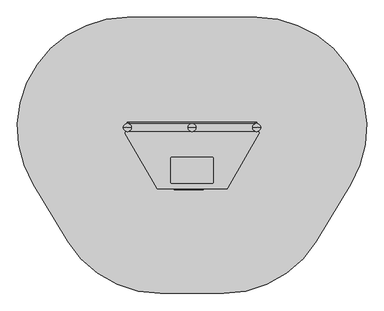
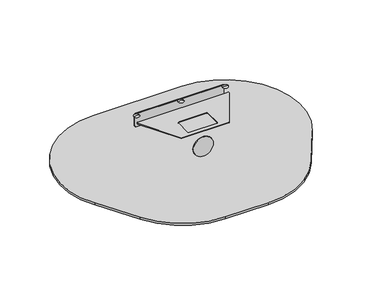
"""IFC4 building model written with IfcOpenShell, lengths in millimetres: furniture geometry."""

from ifc_helpers import new_model, si_unit, point, frame, frame_2d, origin, origin_2d, place, context, project, spatial, polyline, circle_curve, ellipse_curve, trimmed, segment, composite_curve, outline, extrude, source, transform, mapped, element, save
from ifc_brep_helpers import plane_surface, cylinder_surface, revolved_surface, extruded_surface, advanced_brep


def furniture_3e7344ea(model_context):
    return source(origin(), model_context, "Body", "SolidModel", [
        advanced_brep(
        [(1815.0, 0.0, 912.0), (1705.0, 0.0, 912.0), (1760.0, 0.0, 924.0246565), (1760.0, 0.0, 912.0)],
        [
            (0, 1, circle_curve(frame((1760.0, 0.0, 912.0), z_axis=(0.0, 0.0, 1.0), x_axis=(-1.0, 0.0, 0.0)), 55.0)),
            (1, 2, circle_curve(frame((1755.4549856, 0.0, 813.0177111), z_axis=(0.0, 1.0, 0.0), x_axis=(-1.0, 0.0, 0.0)), 111.0999509)),
            (2, 0, circle_curve(frame((1764.5450144, 0.0, 813.0177111), z_axis=(0.0, 1.0, 0.0), x_axis=(1.0, 0.0, 0.0)), 111.0999509)),
            (1, 0, circle_curve(frame((1760.0, 0.0, 912.0), z_axis=(0.0, 0.0, 1.0), x_axis=(-1.0, 0.0, 0.0)), 55.0)),
            (3, 1),
            (0, 3),
        ],
        [
            revolved_surface(trimmed(ellipse_curve(frame((1755.4549856, 0.0, 813.0177111), z_axis=(0.0, -1.0, 0.0), x_axis=(-1.0, 0.0, 0.0)), 111.0999509, 111.0999509), [point((1760.0, 0.0, 924.0246565))], [point((1705.0, 0.0, 912.0))], True, "CARTESIAN"), (1760.0, 0.0, 531.0), (0.0, 0.0, -1.0)),
            plane_surface(frame((1760.0, 0.0, 912.0), z_axis=(0.0, 0.0, -1.0), x_axis=(-1.0, 0.0, 0.0))),
        ],
        [
            (0, [[1, 2, 3]]),
            (0, [[4, -3, -2]]),
            (1, [[5, -1, 6]]),
            (1, [[-6, -4, -5]]),
        ],
    ),
        advanced_brep(
        [(935.0, 0.0, 912.0), (825.0, 0.0, 912.0), (880.0, 0.0, 924.0246565), (880.0, 0.0, 912.0)],
        [
            (0, 1, circle_curve(frame((880.0, 0.0, 912.0), z_axis=(0.0, 0.0, 1.0), x_axis=(-1.0, 0.0, 0.0)), 55.0)),
            (1, 2, circle_curve(frame((875.4549856, 0.0, 813.0177111), z_axis=(0.0, 1.0, 0.0), x_axis=(-1.0, 0.0, 0.0)), 111.0999509)),
            (2, 0, circle_curve(frame((884.5450144, 0.0, 813.0177111), z_axis=(0.0, 1.0, 0.0), x_axis=(1.0, 0.0, 0.0)), 111.0999509)),
            (1, 0, circle_curve(frame((880.0, 0.0, 912.0), z_axis=(0.0, 0.0, 1.0), x_axis=(-1.0, 0.0, 0.0)), 55.0)),
            (3, 1),
            (0, 3),
        ],
        [
            revolved_surface(trimmed(ellipse_curve(frame((875.4549856, 0.0, 813.0177111), z_axis=(0.0, -1.0, 0.0), x_axis=(-1.0, 0.0, 0.0)), 111.0999509, 111.0999509), [point((880.0, 0.0, 924.0246565))], [point((825.0, 0.0, 912.0))], True, "CARTESIAN"), (880.0, 0.0, 531.0), (0.0, 0.0, -1.0)),
            plane_surface(frame((880.0, 0.0, 912.0), z_axis=(0.0, 0.0, -1.0), x_axis=(-1.0, 0.0, 0.0))),
        ],
        [
            (0, [[1, 2, 3]]),
            (0, [[4, -3, -2]]),
            (1, [[5, -1, 6]]),
            (1, [[-6, -4, -5]]),
        ],
    ),
        advanced_brep(
        [(12.5, 72.4599432, -225.0), (0.0, 72.4599432, -225.0), (-12.5, 72.4599432, -225.0), (-72.5, 12.4599432, -225.0), (-72.5, -12.5400568, -225.0), (-12.5, -72.5400568, -225.0), (12.5, -72.5400568, -225.0), (72.5, -12.5400568, -225.0), (72.5, 12.4599432, -225.0), (90.0, 150.0, -460.0), (0.0, 150.0, -460.0), (-90.0, 150.0, -460.0), (-150.0, 90.0, -460.0), (-150.0, -90.0, -460.0), (-90.0, -150.0, -460.0), (90.0, -150.0, -460.0), (150.0, -90.0, -460.0), (150.0, 90.0, -460.0), (90.0, 150.0, -600.0), (150.0, 90.0, -600.0), (150.0, -90.0, -600.0), (90.0, -150.0, -600.0), (-90.0, -150.0, -600.0), (-150.0, -90.0, -600.0), (-150.0, 90.0, -600.0), (-90.0, 150.0, -600.0), (0.0, 150.0, -600.0)],
        [
            (0, 1),
            (1, 2),
            (2, 3, circle_curve(frame((-12.5, 12.4599432, -225.0), z_axis=(0.0, 0.0, 1.0), x_axis=(1.0, 0.0, 0.0)), 60.0)),
            (3, 4),
            (4, 5, circle_curve(frame((-12.5, -12.5400568, -225.0), z_axis=(0.0, 0.0, 1.0), x_axis=(1.0, 0.0, 0.0)), 60.0)),
            (5, 6),
            (6, 7, circle_curve(frame((12.5, -12.5400568, -225.0), z_axis=(0.0, 0.0, 1.0), x_axis=(1.0, 0.0, 0.0)), 60.0)),
            (7, 8),
            (8, 0, circle_curve(frame((12.5, 12.4599432, -225.0), z_axis=(0.0, 0.0, 1.0), x_axis=(1.0, 0.0, 0.0)), 60.0)),
            (0, 9),
            (9, 10),
            (10, 1),
            (10, 11),
            (11, 2),
            (11, 12, circle_curve(frame((-90.0, 90.0, -460.0), z_axis=(0.0, 0.0, 1.0), x_axis=(1.0, 0.0, 0.0)), 60.0)),
            (12, 3),
            (12, 13),
            (13, 4),
            (13, 14, circle_curve(frame((-90.0, -90.0, -460.0), z_axis=(0.0, 0.0, 1.0), x_axis=(1.0, 0.0, 0.0)), 60.0)),
            (14, 5),
            (14, 15),
            (15, 6),
            (15, 16, circle_curve(frame((90.0, -90.0, -460.0), z_axis=(0.0, 0.0, 1.0), x_axis=(1.0, 0.0, 0.0)), 60.0)),
            (16, 7),
            (16, 17),
            (17, 8),
            (17, 9, circle_curve(frame((90.0, 90.0, -460.0), z_axis=(0.0, 0.0, 1.0), x_axis=(1.0, 0.0, 0.0)), 60.0)),
            (18, 19, circle_curve(frame((90.0, 90.0, -600.0), z_axis=(0.0, 0.0, -1.0), x_axis=(1.0, 0.0, 0.0)), 60.0)),
            (19, 20),
            (20, 21, circle_curve(frame((90.0, -90.0, -600.0), z_axis=(0.0, 0.0, -1.0), x_axis=(1.0, 0.0, 0.0)), 60.0)),
            (21, 22),
            (22, 23, circle_curve(frame((-90.0, -90.0, -600.0), z_axis=(0.0, 0.0, -1.0), x_axis=(1.0, 0.0, 0.0)), 60.0)),
            (23, 24),
            (24, 25, circle_curve(frame((-90.0, 90.0, -600.0), z_axis=(0.0, 0.0, -1.0), x_axis=(1.0, 0.0, 0.0)), 60.0)),
            (25, 26),
            (26, 18),
            (26, 10),
            (9, 18),
            (25, 11),
            (23, 13),
            (12, 24),
            (21, 15),
            (14, 22),
            (19, 17),
            (16, 20),
        ],
        [
            plane_surface(frame((0.0, 8.0154988, -225.0), z_axis=(0.0, 0.0, 1.0), x_axis=(-1.0, 0.0, 0.0))),
            plane_surface(frame((6.25, 72.4599432, -225.0), z_axis=(0.0, 0.9496406059136844, 0.3133412191204512), x_axis=(1.0, 0.0, 0.0))),
            plane_surface(frame((-6.25, 72.4599432, -225.0), z_axis=(0.0, 0.9496406059136843, 0.3133412191204512), x_axis=(1.0, 0.0, 0.0))),
            extruded_surface(trimmed(circle_curve(frame((-12.5, 12.4599432, -225.0), z_axis=(0.0, 0.0, -1.0), x_axis=(1.0, 0.0, 0.0)), 60.0), [point((-72.5, 12.4599432, -225.0))], [point((-12.5, 72.4599432, -225.0))], True, "CARTESIAN"), (-77.5, 77.5400568, -235.0), 259.3139225119763),
            plane_surface(frame((-72.5, -0.0400568, -225.0), z_axis=(-0.9496887635303409, 0.0, 0.31319523052596476), x_axis=(0.0, 1.0, 0.0))),
            extruded_surface(trimmed(circle_curve(frame((-12.5, -12.5400568, -225.0), z_axis=(0.0, 0.0, -1.0), x_axis=(1.0, 0.0, 0.0)), 60.0), [point((-12.5, -72.5400568, -225.0))], [point((-72.5, -12.5400568, -225.0))], True, "CARTESIAN"), (-77.5, -77.4599432, -235.0), 259.2899782107809),
            plane_surface(frame((0.0, -72.5400568, -225.0), z_axis=(0.0, -0.9497369035840961, 0.3130492197250991), x_axis=(-1.0, 0.0, 0.0))),
            extruded_surface(trimmed(circle_curve(frame((12.5, -12.5400568, -225.0), z_axis=(0.0, 0.0, -1.0), x_axis=(1.0, 0.0, 0.0)), 60.0), [point((72.5, -12.5400568, -225.0))], [point((12.5, -72.5400568, -225.0))], True, "CARTESIAN"), (77.5, -77.4599432, -235.0), 259.2899782107809),
            plane_surface(frame((72.5, -0.0400568, -225.0), z_axis=(0.9496887635303416, 0.0, 0.3131952305259627), x_axis=(0.0, -1.0, 0.0))),
            extruded_surface(trimmed(circle_curve(frame((12.5, 12.4599432, -225.0), z_axis=(0.0, 0.0, -1.0), x_axis=(1.0, 0.0, 0.0)), 60.0), [point((12.5, 72.4599432, -225.0))], [point((72.5, 12.4599432, -225.0))], True, "CARTESIAN"), (77.5, 77.5400568, -235.0), 259.3139225119763),
            plane_surface(frame((0.0, 150.0, -600.0), z_axis=(0.0, 0.0, -1.0), x_axis=(1.0, 0.0, 0.0))),
            plane_surface(frame((90.0, 150.0, -460.0), z_axis=(0.0, 1.0, 0.0), x_axis=(0.0, 0.0, -1.0))),
            plane_surface(frame((0.0, 150.0, -460.0), z_axis=(0.0, 1.0, 0.0), x_axis=(0.0, 0.0, -1.0))),
            plane_surface(frame((-150.0, 90.0, -460.0), z_axis=(-1.0, 0.0, 0.0), x_axis=(0.0, 0.0, -1.0))),
            plane_surface(frame((-90.0, -150.0, -460.0), z_axis=(0.0, -1.0, 0.0), x_axis=(0.0, 0.0, -1.0))),
            plane_surface(frame((150.0, -90.0, -460.0), z_axis=(1.0, 0.0, 0.0), x_axis=(0.0, 0.0, -1.0))),
            cylinder_surface(frame((-90.0, 90.0, -600.0), z_axis=(0.0, 0.0, 1.0), x_axis=(1.0, 0.0, 0.0)), 60.0),
            cylinder_surface(frame((-90.0, -90.0, -600.0), z_axis=(0.0, 0.0, 1.0), x_axis=(1.0, 0.0, 0.0)), 60.0),
            cylinder_surface(frame((90.0, -90.0, -600.0), z_axis=(0.0, 0.0, 1.0), x_axis=(1.0, 0.0, 0.0)), 60.0),
            cylinder_surface(frame((90.0, 90.0, -600.0), z_axis=(0.0, 0.0, 1.0), x_axis=(1.0, 0.0, 0.0)), 60.0),
        ],
        [
            (0, [[1, 2, 3, 4, 5, 6, 7, 8, 9]]),
            (1, [[-1, 10, 11, 12]]),
            (2, [[-2, -12, 13, 14]]),
            (3, [[-3, -14, 15, 16]]),
            (4, [[-4, -16, 17, 18]]),
            (5, [[-5, -18, 19, 20]]),
            (6, [[-6, -20, 21, 22]]),
            (7, [[-7, -22, 23, 24]]),
            (8, [[-8, -24, 25, 26]]),
            (9, [[-9, -26, 27, -10]]),
            (10, [[28, 29, 30, 31, 32, 33, 34, 35, 36]]),
            (11, [[-36, 37, -11, 38]]),
            (12, [[-35, 39, -13, -37]]),
            (13, [[-33, 40, -17, 41]]),
            (14, [[-31, 42, -21, 43]]),
            (15, [[-29, 44, -25, 45]]),
            (16, [[-34, -41, -15, -39]]),
            (17, [[-32, -43, -19, -40]]),
            (18, [[-30, -45, -23, -42]]),
            (19, [[-28, -38, -27, -44]]),
        ],
    ),
        extrude(outline(composite_curve([segment(trimmed(circle_curve(origin_2d(), 55.0), [point((-55.0, 0.0))], [point((55.0, 0.0))], False, "CARTESIAN"), True, "CONTINUOUS"), segment(trimmed(circle_curve(origin_2d(), 55.0), [point((55.0, 0.0))], [point((-55.0, 0.0))], False, "CARTESIAN"), True, "CONTINUOUS")], self_intersect=False)), frame((0.0, 0.0, -600.0), z_axis=(0.0, 0.0, 1.0), x_axis=(1.0, 0.0, 0.0)), (0.0, 0.0, 1.0), 500.0),
        advanced_brep(
        [(1772.5, 72.4599432, -225.0), (1760.0, 72.4599432, -225.0), (1747.5, 72.4599432, -225.0), (1687.5, 12.4599432, -225.0), (1687.5, -12.5400568, -225.0), (1747.5, -72.5400568, -225.0), (1772.5, -72.5400568, -225.0), (1832.5, -12.5400568, -225.0), (1832.5, 12.4599432, -225.0), (1850.0, 150.0, -460.0), (1760.0, 150.0, -460.0), (1670.0, 150.0, -460.0), (1610.0, 90.0, -460.0), (1610.0, -90.0, -460.0), (1670.0, -150.0, -460.0), (1850.0, -150.0, -460.0), (1910.0, -90.0, -460.0), (1910.0, 90.0, -460.0), (1850.0, 150.0, -600.0), (1910.0, 90.0, -600.0), (1910.0, -90.0, -600.0), (1850.0, -150.0, -600.0), (1670.0, -150.0, -600.0), (1610.0, -90.0, -600.0), (1610.0, 90.0, -600.0), (1670.0, 150.0, -600.0), (1760.0, 150.0, -600.0)],
        [
            (0, 1),
            (1, 2),
            (2, 3, circle_curve(frame((1747.5, 12.4599432, -225.0), z_axis=(0.0, 0.0, 1.0), x_axis=(1.0, 0.0, 0.0)), 60.0)),
            (3, 4),
            (4, 5, circle_curve(frame((1747.5, -12.5400568, -225.0), z_axis=(0.0, 0.0, 1.0), x_axis=(1.0, 0.0, 0.0)), 60.0)),
            (5, 6),
            (6, 7, circle_curve(frame((1772.5, -12.5400568, -225.0), z_axis=(0.0, 0.0, 1.0), x_axis=(1.0, 0.0, 0.0)), 60.0)),
            (7, 8),
            (8, 0, circle_curve(frame((1772.5, 12.4599432, -225.0), z_axis=(0.0, 0.0, 1.0), x_axis=(1.0, 0.0, 0.0)), 60.0)),
            (0, 9),
            (9, 10),
            (10, 1),
            (10, 11),
            (11, 2),
            (11, 12, circle_curve(frame((1670.0, 90.0, -460.0), z_axis=(0.0, 0.0, 1.0), x_axis=(1.0, 0.0, 0.0)), 60.0)),
            (12, 3),
            (12, 13),
            (13, 4),
            (13, 14, circle_curve(frame((1670.0, -90.0, -460.0), z_axis=(0.0, 0.0, 1.0), x_axis=(1.0, 0.0, 0.0)), 60.0)),
            (14, 5),
            (14, 15),
            (15, 6),
            (15, 16, circle_curve(frame((1850.0, -90.0, -460.0), z_axis=(0.0, 0.0, 1.0), x_axis=(1.0, 0.0, 0.0)), 60.0)),
            (16, 7),
            (16, 17),
            (17, 8),
            (17, 9, circle_curve(frame((1850.0, 90.0, -460.0), z_axis=(0.0, 0.0, 1.0), x_axis=(1.0, 0.0, 0.0)), 60.0)),
            (18, 19, circle_curve(frame((1850.0, 90.0, -600.0), z_axis=(0.0, 0.0, -1.0), x_axis=(1.0, 0.0, 0.0)), 60.0)),
            (19, 20),
            (20, 21, circle_curve(frame((1850.0, -90.0, -600.0), z_axis=(0.0, 0.0, -1.0), x_axis=(1.0, 0.0, 0.0)), 60.0)),
            (21, 22),
            (22, 23, circle_curve(frame((1670.0, -90.0, -600.0), z_axis=(0.0, 0.0, -1.0), x_axis=(1.0, 0.0, 0.0)), 60.0)),
            (23, 24),
            (24, 25, circle_curve(frame((1670.0, 90.0, -600.0), z_axis=(0.0, 0.0, -1.0), x_axis=(1.0, 0.0, 0.0)), 60.0)),
            (25, 26),
            (26, 18),
            (26, 10),
            (9, 18),
            (25, 11),
            (23, 13),
            (12, 24),
            (21, 15),
            (14, 22),
            (19, 17),
            (16, 20),
        ],
        [
            plane_surface(frame((1760.0, 8.0154988, -225.0), z_axis=(0.0, 0.0, 1.0), x_axis=(-1.0, 0.0, 0.0))),
            plane_surface(frame((1766.25, 72.4599432, -225.0), z_axis=(0.0, 0.9496406059136844, 0.3133412191204512), x_axis=(1.0, 0.0, 0.0))),
            plane_surface(frame((1753.75, 72.4599432, -225.0), z_axis=(0.0, 0.9496406059136843, 0.3133412191204512), x_axis=(1.0, 0.0, 0.0))),
            extruded_surface(trimmed(circle_curve(frame((1747.5, 12.4599432, -225.0), z_axis=(0.0, 0.0, -1.0), x_axis=(1.0, 0.0, 0.0)), 60.0), [point((1687.5, 12.4599432, -225.0))], [point((1747.5, 72.4599432, -225.0))], True, "CARTESIAN"), (-77.5, 77.5400568, -235.0), 259.3139225119763),
            plane_surface(frame((1687.5, -0.0400568, -225.0), z_axis=(-0.9496887635303409, 0.0, 0.31319523052596476), x_axis=(0.0, 1.0, 0.0))),
            extruded_surface(trimmed(circle_curve(frame((1747.5, -12.5400568, -225.0), z_axis=(0.0, 0.0, -1.0), x_axis=(1.0, 0.0, 0.0)), 60.0), [point((1747.5, -72.5400568, -225.0))], [point((1687.5, -12.5400568, -225.0))], True, "CARTESIAN"), (-77.5, -77.4599432, -235.0), 259.2899782107809),
            plane_surface(frame((1760.0, -72.5400568, -225.0), z_axis=(0.0, -0.9497369035840961, 0.3130492197250991), x_axis=(-1.0, 0.0, 0.0))),
            extruded_surface(trimmed(circle_curve(frame((1772.5, -12.5400568, -225.0), z_axis=(0.0, 0.0, -1.0), x_axis=(1.0, 0.0, 0.0)), 60.0), [point((1832.5, -12.5400568, -225.0))], [point((1772.5, -72.5400568, -225.0))], True, "CARTESIAN"), (77.5, -77.4599432, -235.0), 259.2899782107809),
            plane_surface(frame((1832.5, -0.0400568, -225.0), z_axis=(0.9496887635303416, 0.0, 0.3131952305259627), x_axis=(0.0, -1.0, 0.0))),
            extruded_surface(trimmed(circle_curve(frame((1772.5, 12.4599432, -225.0), z_axis=(0.0, 0.0, -1.0), x_axis=(1.0, 0.0, 0.0)), 60.0), [point((1772.5, 72.4599432, -225.0))], [point((1832.5, 12.4599432, -225.0))], True, "CARTESIAN"), (77.5, 77.5400568, -235.0), 259.3139225119763),
            plane_surface(frame((1760.0, 150.0, -600.0), z_axis=(0.0, 0.0, -1.0), x_axis=(1.0, 0.0, 0.0))),
            plane_surface(frame((1850.0, 150.0, -460.0), z_axis=(0.0, 1.0, 0.0), x_axis=(0.0, 0.0, -1.0))),
            plane_surface(frame((1760.0, 150.0, -460.0), z_axis=(0.0, 1.0, 0.0), x_axis=(0.0, 0.0, -1.0))),
            plane_surface(frame((1610.0, 90.0, -460.0), z_axis=(-1.0, 0.0, 0.0), x_axis=(0.0, 0.0, -1.0))),
            plane_surface(frame((1670.0, -150.0, -460.0), z_axis=(0.0, -1.0, 0.0), x_axis=(0.0, 0.0, -1.0))),
            plane_surface(frame((1910.0, -90.0, -460.0), z_axis=(1.0, 0.0, 0.0), x_axis=(0.0, 0.0, -1.0))),
            cylinder_surface(frame((1670.0, 90.0, -600.0), z_axis=(0.0, 0.0, 1.0), x_axis=(1.0, 0.0, 0.0)), 60.0),
            cylinder_surface(frame((1670.0, -90.0, -600.0), z_axis=(0.0, 0.0, 1.0), x_axis=(1.0, 0.0, 0.0)), 60.0),
            cylinder_surface(frame((1850.0, -90.0, -600.0), z_axis=(0.0, 0.0, 1.0), x_axis=(1.0, 0.0, 0.0)), 60.0),
            cylinder_surface(frame((1850.0, 90.0, -600.0), z_axis=(0.0, 0.0, 1.0), x_axis=(1.0, 0.0, 0.0)), 60.0),
        ],
        [
            (0, [[1, 2, 3, 4, 5, 6, 7, 8, 9]]),
            (1, [[-1, 10, 11, 12]]),
            (2, [[-2, -12, 13, 14]]),
            (3, [[-3, -14, 15, 16]]),
            (4, [[-4, -16, 17, 18]]),
            (5, [[-5, -18, 19, 20]]),
            (6, [[-6, -20, 21, 22]]),
            (7, [[-7, -22, 23, 24]]),
            (8, [[-8, -24, 25, 26]]),
            (9, [[-9, -26, 27, -10]]),
            (10, [[28, 29, 30, 31, 32, 33, 34, 35, 36]]),
            (11, [[-36, 37, -11, 38]]),
            (12, [[-35, 39, -13, -37]]),
            (13, [[-33, 40, -17, 41]]),
            (14, [[-31, 42, -21, 43]]),
            (15, [[-29, 44, -25, 45]]),
            (16, [[-34, -41, -15, -39]]),
            (17, [[-32, -43, -19, -40]]),
            (18, [[-30, -45, -23, -42]]),
            (19, [[-28, -38, -27, -44]]),
        ],
    ),
        extrude(outline(composite_curve([segment(trimmed(circle_curve(frame_2d((1760.0, 0.0)), 55.0), [point((1705.0, 0.0))], [point((1815.0, 0.0))], False, "CARTESIAN"), True, "CONTINUOUS"), segment(trimmed(circle_curve(frame_2d((1760.0, 0.0)), 55.0), [point((1815.0, 0.0))], [point((1705.0, 0.0))], False, "CARTESIAN"), True, "CONTINUOUS")], self_intersect=False)), frame((0.0, 0.0, -600.0), z_axis=(0.0, 0.0, 1.0), x_axis=(1.0, 0.0, 0.0)), (0.0, 0.0, 1.0), 500.0),
        advanced_brep(
        [(1332.5, -689.5400568, -225.0), (1320.0, -689.5400568, -225.0), (1307.5, -689.5400568, -225.0), (1247.5, -749.5400568, -225.0), (1247.5, -774.5400568, -225.0), (1307.5, -834.5400568, -225.0), (1332.5, -834.5400568, -225.0), (1392.5, -774.5400568, -225.0), (1392.5, -749.5400568, -225.0), (1410.0, -612.0, -460.0), (1320.0, -612.0, -460.0), (1230.0, -612.0, -460.0), (1170.0, -672.0, -460.0), (1170.0, -852.0, -460.0), (1230.0, -912.0, -460.0), (1410.0, -912.0, -460.0), (1470.0, -852.0, -460.0), (1470.0, -672.0, -460.0), (1410.0, -612.0, -600.0), (1470.0, -672.0, -600.0), (1470.0, -852.0, -600.0), (1410.0, -912.0, -600.0), (1230.0, -912.0, -600.0), (1170.0, -852.0, -600.0), (1170.0, -672.0, -600.0), (1230.0, -612.0, -600.0), (1320.0, -612.0, -600.0)],
        [
            (0, 1),
            (1, 2),
            (2, 3, circle_curve(frame((1307.5, -749.5400568, -225.0), z_axis=(0.0, 0.0, 1.0), x_axis=(1.0, 0.0, 0.0)), 60.0)),
            (3, 4),
            (4, 5, circle_curve(frame((1307.5, -774.5400568, -225.0), z_axis=(0.0, 0.0, 1.0), x_axis=(1.0, 0.0, 0.0)), 60.0)),
            (5, 6),
            (6, 7, circle_curve(frame((1332.5, -774.5400568, -225.0), z_axis=(0.0, 0.0, 1.0), x_axis=(1.0, 0.0, 0.0)), 60.0)),
            (7, 8),
            (8, 0, circle_curve(frame((1332.5, -749.5400568, -225.0), z_axis=(0.0, 0.0, 1.0), x_axis=(1.0, 0.0, 0.0)), 60.0)),
            (0, 9),
            (9, 10),
            (10, 1),
            (10, 11),
            (11, 2),
            (11, 12, circle_curve(frame((1230.0, -672.0, -460.0), z_axis=(0.0, 0.0, 1.0), x_axis=(1.0, 0.0, 0.0)), 60.0)),
            (12, 3),
            (12, 13),
            (13, 4),
            (13, 14, circle_curve(frame((1230.0, -852.0, -460.0), z_axis=(0.0, 0.0, 1.0), x_axis=(1.0, 0.0, 0.0)), 60.0)),
            (14, 5),
            (14, 15),
            (15, 6),
            (15, 16, circle_curve(frame((1410.0, -852.0, -460.0), z_axis=(0.0, 0.0, 1.0), x_axis=(1.0, 0.0, 0.0)), 60.0)),
            (16, 7),
            (16, 17),
            (17, 8),
            (17, 9, circle_curve(frame((1410.0, -672.0, -460.0), z_axis=(0.0, 0.0, 1.0), x_axis=(1.0, 0.0, 0.0)), 60.0)),
            (18, 19, circle_curve(frame((1410.0, -672.0, -600.0), z_axis=(0.0, 0.0, -1.0), x_axis=(1.0, 0.0, 0.0)), 60.0)),
            (19, 20),
            (20, 21, circle_curve(frame((1410.0, -852.0, -600.0), z_axis=(0.0, 0.0, -1.0), x_axis=(1.0, 0.0, 0.0)), 60.0)),
            (21, 22),
            (22, 23, circle_curve(frame((1230.0, -852.0, -600.0), z_axis=(0.0, 0.0, -1.0), x_axis=(1.0, 0.0, 0.0)), 60.0)),
            (23, 24),
            (24, 25, circle_curve(frame((1230.0, -672.0, -600.0), z_axis=(0.0, 0.0, -1.0), x_axis=(1.0, 0.0, 0.0)), 60.0)),
            (25, 26),
            (26, 18),
            (26, 10),
            (9, 18),
            (25, 11),
            (23, 13),
            (12, 24),
            (21, 15),
            (14, 22),
            (19, 17),
            (16, 20),
        ],
        [
            plane_surface(frame((1320.0, -753.9845012, -225.0), z_axis=(0.0, 0.0, 1.0), x_axis=(-1.0, 0.0, 0.0))),
            plane_surface(frame((1326.25, -689.5400568, -225.0), z_axis=(0.0, 0.9496406059136844, 0.3133412191204512), x_axis=(1.0, 0.0, 0.0))),
            plane_surface(frame((1313.75, -689.5400568, -225.0), z_axis=(0.0, 0.9496406059136843, 0.3133412191204512), x_axis=(1.0, 0.0, 0.0))),
            extruded_surface(trimmed(circle_curve(frame((1307.5, -749.5400568, -225.0), z_axis=(0.0, 0.0, -1.0), x_axis=(1.0, 0.0, 0.0)), 60.0), [point((1247.5, -749.5400568, -225.0))], [point((1307.5, -689.5400568, -225.0))], True, "CARTESIAN"), (-77.5, 77.5400568, -235.0), 259.3139225119763),
            plane_surface(frame((1247.5, -762.0400568, -225.0), z_axis=(-0.9496887635303409, 0.0, 0.31319523052596476), x_axis=(0.0, 1.0, 0.0))),
            extruded_surface(trimmed(circle_curve(frame((1307.5, -774.5400568, -225.0), z_axis=(0.0, 0.0, -1.0), x_axis=(1.0, 0.0, 0.0)), 60.0), [point((1307.5, -834.5400568, -225.0))], [point((1247.5, -774.5400568, -225.0))], True, "CARTESIAN"), (-77.5, -77.4599432, -235.0), 259.2899782107809),
            plane_surface(frame((1320.0, -834.5400568, -225.0), z_axis=(0.0, -0.9497369035840961, 0.3130492197250991), x_axis=(-1.0, 0.0, 0.0))),
            extruded_surface(trimmed(circle_curve(frame((1332.5, -774.5400568, -225.0), z_axis=(0.0, 0.0, -1.0), x_axis=(1.0, 0.0, 0.0)), 60.0), [point((1392.5, -774.5400568, -225.0))], [point((1332.5, -834.5400568, -225.0))], True, "CARTESIAN"), (77.5, -77.4599432, -235.0), 259.2899782107809),
            plane_surface(frame((1392.5, -762.0400568, -225.0), z_axis=(0.9496887635303416, 0.0, 0.3131952305259627), x_axis=(0.0, -1.0, 0.0))),
            extruded_surface(trimmed(circle_curve(frame((1332.5, -749.5400568, -225.0), z_axis=(0.0, 0.0, -1.0), x_axis=(1.0, 0.0, 0.0)), 60.0), [point((1332.5, -689.5400568, -225.0))], [point((1392.5, -749.5400568, -225.0))], True, "CARTESIAN"), (77.5, 77.5400568, -235.0), 259.3139225119763),
            plane_surface(frame((1320.0, -612.0, -600.0), z_axis=(0.0, 0.0, -1.0), x_axis=(1.0, 0.0, 0.0))),
            plane_surface(frame((1410.0, -612.0, -460.0), z_axis=(0.0, 1.0, 0.0), x_axis=(0.0, 0.0, -1.0))),
            plane_surface(frame((1320.0, -612.0, -460.0), z_axis=(0.0, 1.0, 0.0), x_axis=(0.0, 0.0, -1.0))),
            plane_surface(frame((1170.0, -672.0, -460.0), z_axis=(-1.0, 0.0, 0.0), x_axis=(0.0, 0.0, -1.0))),
            plane_surface(frame((1230.0, -912.0, -460.0), z_axis=(0.0, -1.0, 0.0), x_axis=(0.0, 0.0, -1.0))),
            plane_surface(frame((1470.0, -852.0, -460.0), z_axis=(1.0, 0.0, 0.0), x_axis=(0.0, 0.0, -1.0))),
            cylinder_surface(frame((1230.0, -672.0, -600.0), z_axis=(0.0, 0.0, 1.0), x_axis=(1.0, 0.0, 0.0)), 60.0),
            cylinder_surface(frame((1230.0, -852.0, -600.0), z_axis=(0.0, 0.0, 1.0), x_axis=(1.0, 0.0, 0.0)), 60.0),
            cylinder_surface(frame((1410.0, -852.0, -600.0), z_axis=(0.0, 0.0, 1.0), x_axis=(1.0, 0.0, 0.0)), 60.0),
            cylinder_surface(frame((1410.0, -672.0, -600.0), z_axis=(0.0, 0.0, 1.0), x_axis=(1.0, 0.0, 0.0)), 60.0),
        ],
        [
            (0, [[1, 2, 3, 4, 5, 6, 7, 8, 9]]),
            (1, [[-1, 10, 11, 12]]),
            (2, [[-2, -12, 13, 14]]),
            (3, [[-3, -14, 15, 16]]),
            (4, [[-4, -16, 17, 18]]),
            (5, [[-5, -18, 19, 20]]),
            (6, [[-6, -20, 21, 22]]),
            (7, [[-7, -22, 23, 24]]),
            (8, [[-8, -24, 25, 26]]),
            (9, [[-9, -26, 27, -10]]),
            (10, [[28, 29, 30, 31, 32, 33, 34, 35, 36]]),
            (11, [[-36, 37, -11, 38]]),
            (12, [[-35, 39, -13, -37]]),
            (13, [[-33, 40, -17, 41]]),
            (14, [[-31, 42, -21, 43]]),
            (15, [[-29, 44, -25, 45]]),
            (16, [[-34, -41, -15, -39]]),
            (17, [[-32, -43, -19, -40]]),
            (18, [[-30, -45, -23, -42]]),
            (19, [[-28, -38, -27, -44]]),
        ],
    ),
        extrude(outline(composite_curve([segment(trimmed(circle_curve(frame_2d((1320.0, -762.0)), 55.0), [point((1265.0, -762.0))], [point((1375.0, -762.0))], False, "CARTESIAN"), True, "CONTINUOUS"), segment(trimmed(circle_curve(frame_2d((1320.0, -762.0)), 55.0), [point((1375.0, -762.0))], [point((1265.0, -762.0))], False, "CARTESIAN"), True, "CONTINUOUS")], self_intersect=False)), frame((0.0, 0.0, -600.0), z_axis=(0.0, 0.0, 1.0), x_axis=(1.0, 0.0, 0.0)), (0.0, 0.0, 1.0), 500.0),
        advanced_brep(
        [(452.5, -689.4104492, -225.0), (440.0, -689.4104492, -225.0), (427.5, -689.4104492, -225.0), (367.5, -749.4104492, -225.0), (367.5, -774.4104492, -225.0), (427.5, -834.4104492, -225.0), (452.5, -834.4104492, -225.0), (512.5, -774.4104492, -225.0), (512.5, -749.4104492, -225.0), (530.0, -611.8703924, -460.0), (440.0, -611.8703924, -460.0), (350.0, -611.8703924, -460.0), (290.0, -671.8703924, -460.0), (290.0, -851.8703924, -460.0), (350.0, -911.8703924, -460.0), (530.0, -911.8703924, -460.0), (590.0, -851.8703924, -460.0), (590.0, -671.8703924, -460.0), (530.0, -611.8703924, -600.0), (590.0, -671.8703924, -600.0), (590.0, -851.8703924, -600.0), (530.0, -911.8703924, -600.0), (350.0, -911.8703924, -600.0), (290.0, -851.8703924, -600.0), (290.0, -671.8703924, -600.0), (350.0, -611.8703924, -600.0), (440.0, -611.8703924, -600.0)],
        [
            (0, 1),
            (1, 2),
            (2, 3, circle_curve(frame((427.5, -749.4104492, -225.0), z_axis=(0.0, 0.0, 1.0), x_axis=(1.0, 0.0, 0.0)), 60.0)),
            (3, 4),
            (4, 5, circle_curve(frame((427.5, -774.4104492, -225.0), z_axis=(0.0, 0.0, 1.0), x_axis=(1.0, 0.0, 0.0)), 60.0)),
            (5, 6),
            (6, 7, circle_curve(frame((452.5, -774.4104492, -225.0), z_axis=(0.0, 0.0, 1.0), x_axis=(1.0, 0.0, 0.0)), 60.0)),
            (7, 8),
            (8, 0, circle_curve(frame((452.5, -749.4104492, -225.0), z_axis=(0.0, 0.0, 1.0), x_axis=(1.0, 0.0, 0.0)), 60.0)),
            (0, 9),
            (9, 10),
            (10, 1),
            (10, 11),
            (11, 2),
            (11, 12, circle_curve(frame((350.0, -671.8703924, -460.0), z_axis=(0.0, 0.0, 1.0), x_axis=(1.0, 0.0, 0.0)), 60.0)),
            (12, 3),
            (12, 13),
            (13, 4),
            (13, 14, circle_curve(frame((350.0, -851.8703924, -460.0), z_axis=(0.0, 0.0, 1.0), x_axis=(1.0, 0.0, 0.0)), 60.0)),
            (14, 5),
            (14, 15),
            (15, 6),
            (15, 16, circle_curve(frame((530.0, -851.8703924, -460.0), z_axis=(0.0, 0.0, 1.0), x_axis=(1.0, 0.0, 0.0)), 60.0)),
            (16, 7),
            (16, 17),
            (17, 8),
            (17, 9, circle_curve(frame((530.0, -671.8703924, -460.0), z_axis=(0.0, 0.0, 1.0), x_axis=(1.0, 0.0, 0.0)), 60.0)),
            (18, 19, circle_curve(frame((530.0, -671.8703924, -600.0), z_axis=(0.0, 0.0, -1.0), x_axis=(1.0, 0.0, 0.0)), 60.0)),
            (19, 20),
            (20, 21, circle_curve(frame((530.0, -851.8703924, -600.0), z_axis=(0.0, 0.0, -1.0), x_axis=(1.0, 0.0, 0.0)), 60.0)),
            (21, 22),
            (22, 23, circle_curve(frame((350.0, -851.8703924, -600.0), z_axis=(0.0, 0.0, -1.0), x_axis=(1.0, 0.0, 0.0)), 60.0)),
            (23, 24),
            (24, 25, circle_curve(frame((350.0, -671.8703924, -600.0), z_axis=(0.0, 0.0, -1.0), x_axis=(1.0, 0.0, 0.0)), 60.0)),
            (25, 26),
            (26, 18),
            (26, 10),
            (9, 18),
            (25, 11),
            (23, 13),
            (12, 24),
            (21, 15),
            (14, 22),
            (19, 17),
            (16, 20),
        ],
        [
            plane_surface(frame((440.0, -753.8548936, -225.0), z_axis=(0.0, 0.0, 1.0), x_axis=(-1.0, 0.0, 0.0))),
            plane_surface(frame((446.25, -689.4104492, -225.0), z_axis=(0.0, 0.9496406059136844, 0.3133412191204512), x_axis=(1.0, 0.0, 0.0))),
            plane_surface(frame((433.75, -689.4104492, -225.0), z_axis=(0.0, 0.9496406059136843, 0.3133412191204512), x_axis=(1.0, 0.0, 0.0))),
            extruded_surface(trimmed(circle_curve(frame((427.5, -749.4104492, -225.0), z_axis=(0.0, 0.0, -1.0), x_axis=(1.0, 0.0, 0.0)), 60.0), [point((367.5, -749.4104492, -225.0))], [point((427.5, -689.4104492, -225.0))], True, "CARTESIAN"), (-77.5, 77.5400568, -235.0), 259.3139225119763),
            plane_surface(frame((367.5, -761.9104492, -225.0), z_axis=(-0.9496887635303409, 0.0, 0.31319523052596476), x_axis=(0.0, 1.0, 0.0))),
            extruded_surface(trimmed(circle_curve(frame((427.5, -774.4104492, -225.0), z_axis=(0.0, 0.0, -1.0), x_axis=(1.0, 0.0, 0.0)), 60.0), [point((427.5, -834.4104492, -225.0))], [point((367.5, -774.4104492, -225.0))], True, "CARTESIAN"), (-77.5, -77.4599432, -235.0), 259.2899782107809),
            plane_surface(frame((440.0, -834.4104492, -225.0), z_axis=(0.0, -0.9497369035840961, 0.3130492197250991), x_axis=(-1.0, 0.0, 0.0))),
            extruded_surface(trimmed(circle_curve(frame((452.5, -774.4104492, -225.0), z_axis=(0.0, 0.0, -1.0), x_axis=(1.0, 0.0, 0.0)), 60.0), [point((512.5, -774.4104492, -225.0))], [point((452.5, -834.4104492, -225.0))], True, "CARTESIAN"), (77.5, -77.4599432, -235.0), 259.2899782107809),
            plane_surface(frame((512.5, -761.9104492, -225.0), z_axis=(0.9496887635303416, 0.0, 0.3131952305259627), x_axis=(0.0, -1.0, 0.0))),
            extruded_surface(trimmed(circle_curve(frame((452.5, -749.4104492, -225.0), z_axis=(0.0, 0.0, -1.0), x_axis=(1.0, 0.0, 0.0)), 60.0), [point((452.5, -689.4104492, -225.0))], [point((512.5, -749.4104492, -225.0))], True, "CARTESIAN"), (77.5, 77.5400568, -235.0), 259.3139225119763),
            plane_surface(frame((440.0, -611.8703924, -600.0), z_axis=(0.0, 0.0, -1.0), x_axis=(1.0, 0.0, 0.0))),
            plane_surface(frame((530.0, -611.8703924, -460.0), z_axis=(0.0, 1.0, 0.0), x_axis=(0.0, 0.0, -1.0))),
            plane_surface(frame((440.0, -611.8703924, -460.0), z_axis=(0.0, 1.0, 0.0), x_axis=(0.0, 0.0, -1.0))),
            plane_surface(frame((290.0, -671.8703924, -460.0), z_axis=(-1.0, 0.0, 0.0), x_axis=(0.0, 0.0, -1.0))),
            plane_surface(frame((350.0, -911.8703924, -460.0), z_axis=(0.0, -1.0, 0.0), x_axis=(0.0, 0.0, -1.0))),
            plane_surface(frame((590.0, -851.8703924, -460.0), z_axis=(1.0, 0.0, 0.0), x_axis=(0.0, 0.0, -1.0))),
            cylinder_surface(frame((350.0, -671.8703924, -600.0), z_axis=(0.0, 0.0, 1.0), x_axis=(1.0, 0.0, 0.0)), 60.0),
            cylinder_surface(frame((350.0, -851.8703924, -600.0), z_axis=(0.0, 0.0, 1.0), x_axis=(1.0, 0.0, 0.0)), 60.0),
            cylinder_surface(frame((530.0, -851.8703924, -600.0), z_axis=(0.0, 0.0, 1.0), x_axis=(1.0, 0.0, 0.0)), 60.0),
            cylinder_surface(frame((530.0, -671.8703924, -600.0), z_axis=(0.0, 0.0, 1.0), x_axis=(1.0, 0.0, 0.0)), 60.0),
        ],
        [
            (0, [[1, 2, 3, 4, 5, 6, 7, 8, 9]]),
            (1, [[-1, 10, 11, 12]]),
            (2, [[-2, -12, 13, 14]]),
            (3, [[-3, -14, 15, 16]]),
            (4, [[-4, -16, 17, 18]]),
            (5, [[-5, -18, 19, 20]]),
            (6, [[-6, -20, 21, 22]]),
            (7, [[-7, -22, 23, 24]]),
            (8, [[-8, -24, 25, 26]]),
            (9, [[-9, -26, 27, -10]]),
            (10, [[28, 29, 30, 31, 32, 33, 34, 35, 36]]),
            (11, [[-36, 37, -11, 38]]),
            (12, [[-35, 39, -13, -37]]),
            (13, [[-33, 40, -17, 41]]),
            (14, [[-31, 42, -21, 43]]),
            (15, [[-29, 44, -25, 45]]),
            (16, [[-34, -41, -15, -39]]),
            (17, [[-32, -43, -19, -40]]),
            (18, [[-30, -45, -23, -42]]),
            (19, [[-28, -38, -27, -44]]),
        ],
    ),
        extrude(outline(composite_curve([segment(trimmed(circle_curve(frame_2d((440.0, -761.8703924)), 55.0), [point((385.0, -761.8703924))], [point((495.0, -761.8703924))], False, "CARTESIAN"), True, "CONTINUOUS"), segment(trimmed(circle_curve(frame_2d((440.0, -761.8703924)), 55.0), [point((495.0, -761.8703924))], [point((385.0, -761.8703924))], False, "CARTESIAN"), True, "CONTINUOUS")], self_intersect=False)), frame((0.0, 0.0, -600.0), z_axis=(0.0, 0.0, 1.0), x_axis=(1.0, 0.0, 0.0)), (0.0, 0.0, 1.0), 500.0),
        advanced_brep(
        [(892.5, 72.4599432, -225.0), (880.0, 72.4599432, -225.0), (867.5, 72.4599432, -225.0), (807.5, 12.4599432, -225.0), (807.5, -12.5400568, -225.0), (867.5, -72.5400568, -225.0), (892.5, -72.5400568, -225.0), (952.5, -12.5400568, -225.0), (952.5, 12.4599432, -225.0), (970.0, 150.0, -460.0), (880.0, 150.0, -460.0), (790.0, 150.0, -460.0), (730.0, 90.0, -460.0), (730.0, -90.0, -460.0), (790.0, -150.0, -460.0), (970.0, -150.0, -460.0), (1030.0, -90.0, -460.0), (1030.0, 90.0, -460.0), (970.0, 150.0, -600.0), (1030.0, 90.0, -600.0), (1030.0, -90.0, -600.0), (970.0, -150.0, -600.0), (790.0, -150.0, -600.0), (730.0, -90.0, -600.0), (730.0, 90.0, -600.0), (790.0, 150.0, -600.0), (880.0, 150.0, -600.0)],
        [
            (0, 1),
            (1, 2),
            (2, 3, circle_curve(frame((867.5, 12.4599432, -225.0), z_axis=(0.0, 0.0, 1.0), x_axis=(1.0, 0.0, 0.0)), 60.0)),
            (3, 4),
            (4, 5, circle_curve(frame((867.5, -12.5400568, -225.0), z_axis=(0.0, 0.0, 1.0), x_axis=(1.0, 0.0, 0.0)), 60.0)),
            (5, 6),
            (6, 7, circle_curve(frame((892.5, -12.5400568, -225.0), z_axis=(0.0, 0.0, 1.0), x_axis=(1.0, 0.0, 0.0)), 60.0)),
            (7, 8),
            (8, 0, circle_curve(frame((892.5, 12.4599432, -225.0), z_axis=(0.0, 0.0, 1.0), x_axis=(1.0, 0.0, 0.0)), 60.0)),
            (0, 9),
            (9, 10),
            (10, 1),
            (10, 11),
            (11, 2),
            (11, 12, circle_curve(frame((790.0, 90.0, -460.0), z_axis=(0.0, 0.0, 1.0), x_axis=(1.0, 0.0, 0.0)), 60.0)),
            (12, 3),
            (12, 13),
            (13, 4),
            (13, 14, circle_curve(frame((790.0, -90.0, -460.0), z_axis=(0.0, 0.0, 1.0), x_axis=(1.0, 0.0, 0.0)), 60.0)),
            (14, 5),
            (14, 15),
            (15, 6),
            (15, 16, circle_curve(frame((970.0, -90.0, -460.0), z_axis=(0.0, 0.0, 1.0), x_axis=(1.0, 0.0, 0.0)), 60.0)),
            (16, 7),
            (16, 17),
            (17, 8),
            (17, 9, circle_curve(frame((970.0, 90.0, -460.0), z_axis=(0.0, 0.0, 1.0), x_axis=(1.0, 0.0, 0.0)), 60.0)),
            (18, 19, circle_curve(frame((970.0, 90.0, -600.0), z_axis=(0.0, 0.0, -1.0), x_axis=(1.0, 0.0, 0.0)), 60.0)),
            (19, 20),
            (20, 21, circle_curve(frame((970.0, -90.0, -600.0), z_axis=(0.0, 0.0, -1.0), x_axis=(1.0, 0.0, 0.0)), 60.0)),
            (21, 22),
            (22, 23, circle_curve(frame((790.0, -90.0, -600.0), z_axis=(0.0, 0.0, -1.0), x_axis=(1.0, 0.0, 0.0)), 60.0)),
            (23, 24),
            (24, 25, circle_curve(frame((790.0, 90.0, -600.0), z_axis=(0.0, 0.0, -1.0), x_axis=(1.0, 0.0, 0.0)), 60.0)),
            (25, 26),
            (26, 18),
            (26, 10),
            (9, 18),
            (25, 11),
            (23, 13),
            (12, 24),
            (21, 15),
            (14, 22),
            (19, 17),
            (16, 20),
        ],
        [
            plane_surface(frame((880.0, 8.0154988, -225.0), z_axis=(0.0, 0.0, 1.0), x_axis=(-1.0, 0.0, 0.0))),
            plane_surface(frame((886.25, 72.4599432, -225.0), z_axis=(0.0, 0.9496406059136844, 0.3133412191204512), x_axis=(1.0, 0.0, 0.0))),
            plane_surface(frame((873.75, 72.4599432, -225.0), z_axis=(0.0, 0.9496406059136843, 0.3133412191204512), x_axis=(1.0, 0.0, 0.0))),
            extruded_surface(trimmed(circle_curve(frame((867.5, 12.4599432, -225.0), z_axis=(0.0, 0.0, -1.0), x_axis=(1.0, 0.0, 0.0)), 60.0), [point((807.5, 12.4599432, -225.0))], [point((867.5, 72.4599432, -225.0))], True, "CARTESIAN"), (-77.5, 77.5400568, -235.0), 259.3139225119763),
            plane_surface(frame((807.5, -0.0400568, -225.0), z_axis=(-0.9496887635303409, 0.0, 0.31319523052596476), x_axis=(0.0, 1.0, 0.0))),
            extruded_surface(trimmed(circle_curve(frame((867.5, -12.5400568, -225.0), z_axis=(0.0, 0.0, -1.0), x_axis=(1.0, 0.0, 0.0)), 60.0), [point((867.5, -72.5400568, -225.0))], [point((807.5, -12.5400568, -225.0))], True, "CARTESIAN"), (-77.5, -77.4599432, -235.0), 259.2899782107809),
            plane_surface(frame((880.0, -72.5400568, -225.0), z_axis=(0.0, -0.9497369035840961, 0.3130492197250991), x_axis=(-1.0, 0.0, 0.0))),
            extruded_surface(trimmed(circle_curve(frame((892.5, -12.5400568, -225.0), z_axis=(0.0, 0.0, -1.0), x_axis=(1.0, 0.0, 0.0)), 60.0), [point((952.5, -12.5400568, -225.0))], [point((892.5, -72.5400568, -225.0))], True, "CARTESIAN"), (77.5, -77.4599432, -235.0), 259.2899782107809),
            plane_surface(frame((952.5, -0.0400568, -225.0), z_axis=(0.9496887635303416, 0.0, 0.3131952305259627), x_axis=(0.0, -1.0, 0.0))),
            extruded_surface(trimmed(circle_curve(frame((892.5, 12.4599432, -225.0), z_axis=(0.0, 0.0, -1.0), x_axis=(1.0, 0.0, 0.0)), 60.0), [point((892.5, 72.4599432, -225.0))], [point((952.5, 12.4599432, -225.0))], True, "CARTESIAN"), (77.5, 77.5400568, -235.0), 259.3139225119763),
            plane_surface(frame((880.0, 150.0, -600.0), z_axis=(0.0, 0.0, -1.0), x_axis=(1.0, 0.0, 0.0))),
            plane_surface(frame((970.0, 150.0, -460.0), z_axis=(0.0, 1.0, 0.0), x_axis=(0.0, 0.0, -1.0))),
            plane_surface(frame((880.0, 150.0, -460.0), z_axis=(0.0, 1.0, 0.0), x_axis=(0.0, 0.0, -1.0))),
            plane_surface(frame((730.0, 90.0, -460.0), z_axis=(-1.0, 0.0, 0.0), x_axis=(0.0, 0.0, -1.0))),
            plane_surface(frame((790.0, -150.0, -460.0), z_axis=(0.0, -1.0, 0.0), x_axis=(0.0, 0.0, -1.0))),
            plane_surface(frame((1030.0, -90.0, -460.0), z_axis=(1.0, 0.0, 0.0), x_axis=(0.0, 0.0, -1.0))),
            cylinder_surface(frame((790.0, 90.0, -600.0), z_axis=(0.0, 0.0, 1.0), x_axis=(1.0, 0.0, 0.0)), 60.0),
            cylinder_surface(frame((790.0, -90.0, -600.0), z_axis=(0.0, 0.0, 1.0), x_axis=(1.0, 0.0, 0.0)), 60.0),
            cylinder_surface(frame((970.0, -90.0, -600.0), z_axis=(0.0, 0.0, 1.0), x_axis=(1.0, 0.0, 0.0)), 60.0),
            cylinder_surface(frame((970.0, 90.0, -600.0), z_axis=(0.0, 0.0, 1.0), x_axis=(1.0, 0.0, 0.0)), 60.0),
        ],
        [
            (0, [[1, 2, 3, 4, 5, 6, 7, 8, 9]]),
            (1, [[-1, 10, 11, 12]]),
            (2, [[-2, -12, 13, 14]]),
            (3, [[-3, -14, 15, 16]]),
            (4, [[-4, -16, 17, 18]]),
            (5, [[-5, -18, 19, 20]]),
            (6, [[-6, -20, 21, 22]]),
            (7, [[-7, -22, 23, 24]]),
            (8, [[-8, -24, 25, 26]]),
            (9, [[-9, -26, 27, -10]]),
            (10, [[28, 29, 30, 31, 32, 33, 34, 35, 36]]),
            (11, [[-36, 37, -11, 38]]),
            (12, [[-35, 39, -13, -37]]),
            (13, [[-33, 40, -17, 41]]),
            (14, [[-31, 42, -21, 43]]),
            (15, [[-29, 44, -25, 45]]),
            (16, [[-34, -41, -15, -39]]),
            (17, [[-32, -43, -19, -40]]),
            (18, [[-30, -45, -23, -42]]),
            (19, [[-28, -38, -27, -44]]),
        ],
    ),
        extrude(outline(composite_curve([segment(trimmed(circle_curve(frame_2d((880.0, 0.0)), 55.0), [point((825.0, 0.0))], [point((935.0, 0.0))], False, "CARTESIAN"), True, "CONTINUOUS"), segment(trimmed(circle_curve(frame_2d((880.0, 0.0)), 55.0), [point((935.0, 0.0))], [point((825.0, 0.0))], False, "CARTESIAN"), True, "CONTINUOUS")], self_intersect=False)), frame((0.0, 0.0, -600.0), z_axis=(0.0, 0.0, 1.0), x_axis=(1.0, 0.0, 0.0)), (0.0, 0.0, 1.0), 500.0),
        advanced_brep(
        [(55.0, 0.0, 912.0), (-55.0, 0.0, 912.0), (0.0, 0.0, 924.0246565), (0.0, 0.0, 912.0)],
        [
            (0, 1, circle_curve(frame((0.0, 0.0, 912.0), z_axis=(0.0, 0.0, 1.0), x_axis=(-1.0, 0.0, 0.0)), 55.0)),
            (1, 2, circle_curve(frame((-4.5450144, 0.0, 813.0177111), z_axis=(0.0, 1.0, 0.0), x_axis=(-1.0, 0.0, 0.0)), 111.0999509)),
            (2, 0, circle_curve(frame((4.5450144, 0.0, 813.0177111), z_axis=(0.0, 1.0, 0.0), x_axis=(1.0, 0.0, 0.0)), 111.0999509)),
            (1, 0, circle_curve(frame((0.0, 0.0, 912.0), z_axis=(0.0, 0.0, 1.0), x_axis=(-1.0, 0.0, 0.0)), 55.0)),
            (3, 1),
            (0, 3),
        ],
        [
            revolved_surface(trimmed(ellipse_curve(frame((-4.5450144, 0.0, 813.0177111), z_axis=(0.0, -1.0, 0.0), x_axis=(-1.0, 0.0, 0.0)), 111.0999509, 111.0999509), [point((0.0, 0.0, 924.0246565))], [point((-55.0, 0.0, 912.0))], True, "CARTESIAN"), (0.0, 0.0, 531.0), (0.0, 0.0, -1.0)),
            plane_surface(frame((0.0, 0.0, 912.0), z_axis=(0.0, 0.0, -1.0), x_axis=(-1.0, 0.0, 0.0))),
        ],
        [
            (0, [[1, 2, 3]]),
            (0, [[4, -3, -2]]),
            (1, [[5, -1, 6]]),
            (1, [[-6, -4, -5]]),
        ],
    ),
        extrude(outline(composite_curve([segment(trimmed(circle_curve(frame_2d((1760.0, 0.0)), 1500.0), [point((1760.0, 1500.0))], [point((3043.5811662, -776.1568075))], False, "CARTESIAN"), True, "CONTINUOUS"), segment(polyline([(3043.5811662, -776.1568075), (2576.978523, -1547.80805)]), True, "CONTINUOUS"), segment(trimmed(circle_curve(frame_2d((1310.5117724, -782.0)), 1480.0), [point((2576.978523, -1547.80805))], [point((1310.5117724, -2262.0))], False, "CARTESIAN"), True, "CONTINUOUS"), segment(polyline([(1310.5117724, -2262.0), (449.4882276, -2262.0)]), True, "CONTINUOUS"), segment(trimmed(circle_curve(frame_2d((449.4882276, -782.0)), 1480.0), [point((449.4882276, -2262.0))], [point((-816.978523, -1547.80805))], False, "CARTESIAN"), True, "CONTINUOUS"), segment(polyline([(-816.978523, -1547.80805), (-1283.5811662, -776.1568075)]), True, "CONTINUOUS"), segment(trimmed(circle_curve(origin_2d(), 1500.0), [point((-1283.5811662, -776.1568075))], [point((0.0, 1500.0))], False, "CARTESIAN"), True, "CONTINUOUS"), segment(polyline([(0.0, 1500.0), (1760.0, 1500.0)]), True, "CONTINUOUS")], self_intersect=False)), frame((0.0, 0.0, -40.0), z_axis=(0.0, 0.0, 1.0), x_axis=(1.0, 0.0, 0.0)), (0.0, 0.0, 1.0), 41.0),
        extrude(outline(composite_curve([segment(trimmed(circle_curve(frame_2d((487.584354, 835.1614399)), 200.0), [point((487.584354, 635.1614399))], [point((487.584354, 1035.1614399))], False, "CARTESIAN"), True, "CONTINUOUS"), segment(trimmed(circle_curve(frame_2d((487.584354, 835.1614399)), 200.0), [point((487.584354, 1035.1614399))], [point((487.584354, 635.1614399))], False, "CARTESIAN"), True, "CONTINUOUS")], self_intersect=False)), frame((0.0, -846.4104492, 0.0), z_axis=(0.0, 1.0, 0.0), x_axis=(0.0, 0.0, 1.0)), (0.0, 0.0, 1.0), 12.0),
        advanced_brep(
        [(416.9967475, -834.4104492, 812.0), (1347.4714433, -834.4104492, 812.0), (1364.7919514, -824.4104492, 812.0), (1792.1265001, -84.2452991, 812.0), (1773.605792, -54.2813436, 812.0), (1761.6517634, -55.0, 812.0), (-11.8140663, -55.0, 812.0), (-29.1151699, -85.0335346, 812.0), (399.6956439, -824.4439838, 812.0), (610.0, -404.1548617, 812.0), (1150.0, -404.1548617, 812.0), (1170.0, -424.1548617, 812.0), (1170.0, -742.0, 812.0), (1150.0, -762.0, 812.0), (610.0, -762.0, 812.0), (590.0, -742.0, 812.0), (590.0, -424.1548617, 812.0), (416.9967475, -834.4104492, 800.0), (399.6956439, -824.4439838, 800.0), (-29.1151699, -85.0335346, 800.0), (-11.8140663, -55.0, 800.0), (1761.6517634, -55.0, 800.0), (1773.605792, -54.2813436, 800.0), (1792.1265001, -84.2452991, 800.0), (1364.7919514, -824.4104492, 800.0), (1347.4714433, -834.4104492, 800.0), (1150.0, -404.1548617, 802.0), (610.0, -404.1548617, 802.0), (590.0, -424.1548617, 802.0), (590.0, -742.0, 802.0), (610.0, -762.0, 802.0), (1150.0, -762.0, 802.0), (1170.0, -742.0, 802.0), (1170.0, -424.1548617, 802.0)],
        [
            (0, 1),
            (1, 2, circle_curve(frame((1347.4714433, -814.4104492, 812.0), z_axis=(0.0, 0.0, 1.0), x_axis=(1.0, 0.0, 0.0)), 20.0)),
            (2, 3),
            (3, 4, circle_curve(frame((1774.805992, -74.2452991, 812.0), z_axis=(0.0, 0.0, 1.0), x_axis=(1.0, 0.0, 0.0)), 20.0)),
            (4, 5),
            (5, 6),
            (6, 7, circle_curve(frame((-11.8140663, -75.0, 812.0), z_axis=(0.0, 0.0, 1.0), x_axis=(1.0, 0.0, 0.0)), 20.0)),
            (7, 8),
            (8, 0, circle_curve(frame((416.9967475, -814.4104492, 812.0), z_axis=(0.0, 0.0, 1.0), x_axis=(1.0, 0.0, 0.0)), 20.0)),
            (9, 10),
            (10, 11, circle_curve(frame((1150.0, -424.1548617, 812.0), z_axis=(0.0, 0.0, -1.0), x_axis=(1.0, 0.0, 0.0)), 20.0)),
            (11, 12),
            (12, 13, circle_curve(frame((1150.0, -742.0, 812.0), z_axis=(0.0, 0.0, -1.0), x_axis=(1.0, 0.0, 0.0)), 20.0)),
            (13, 14),
            (14, 15, circle_curve(frame((610.0, -742.0, 812.0), z_axis=(0.0, 0.0, -1.0), x_axis=(1.0, 0.0, 0.0)), 20.0)),
            (15, 16),
            (16, 9, circle_curve(frame((610.0, -424.1548617, 812.0), z_axis=(0.0, 0.0, -1.0), x_axis=(1.0, 0.0, 0.0)), 20.0)),
            (17, 18, circle_curve(frame((416.9967475, -814.4104492, 800.0), z_axis=(0.0, 0.0, -1.0), x_axis=(1.0, 0.0, 0.0)), 20.0)),
            (18, 19),
            (19, 20, circle_curve(frame((-11.8140663, -75.0, 800.0), z_axis=(0.0, 0.0, -1.0), x_axis=(1.0, 0.0, 0.0)), 20.0)),
            (20, 21),
            (21, 22),
            (22, 23, circle_curve(frame((1774.805992, -74.2452991, 800.0), z_axis=(0.0, 0.0, -1.0), x_axis=(1.0, 0.0, 0.0)), 20.0)),
            (23, 24),
            (24, 25, circle_curve(frame((1347.4714433, -814.4104492, 800.0), z_axis=(0.0, 0.0, -1.0), x_axis=(1.0, 0.0, 0.0)), 20.0)),
            (25, 17),
            (0, 17),
            (25, 1),
            (7, 19),
            (18, 8),
            (24, 2),
            (23, 3),
            (22, 4),
            (21, 5),
            (20, 6),
            (26, 27),
            (27, 28, circle_curve(frame((610.0, -424.1548617, 802.0), z_axis=(0.0, 0.0, 1.0), x_axis=(1.0, 0.0, 0.0)), 20.0)),
            (28, 29),
            (29, 30, circle_curve(frame((610.0, -742.0, 802.0), z_axis=(0.0, 0.0, 1.0), x_axis=(1.0, 0.0, 0.0)), 20.0)),
            (30, 31),
            (31, 32, circle_curve(frame((1150.0, -742.0, 802.0), z_axis=(0.0, 0.0, 1.0), x_axis=(1.0, 0.0, 0.0)), 20.0)),
            (32, 33),
            (33, 26, circle_curve(frame((1150.0, -424.1548617, 802.0), z_axis=(0.0, 0.0, 1.0), x_axis=(1.0, 0.0, 0.0)), 20.0)),
            (26, 10),
            (9, 27),
            (16, 28),
            (15, 29),
            (14, 30),
            (13, 31),
            (12, 32),
            (11, 33),
        ],
        [
            plane_surface(frame((1351.65283, -834.4104492, 812.0), z_axis=(0.0, 0.0, 1.0), x_axis=(1.0, 0.0, 0.0))),
            plane_surface(frame((1351.65283, -834.4104492, 800.0), z_axis=(0.0, 0.0, -1.0), x_axis=(-1.0, 0.0, 0.0))),
            plane_surface(frame((416.9967475, -834.4104492, 812.0), z_axis=(0.0, -1.0, 0.0), x_axis=(0.0, 0.0, -1.0))),
            plane_surface(frame((-29.1151699, -85.0335346, 812.0), z_axis=(-0.8650551777748036, -0.5016767279882565, 0.0), x_axis=(0.0, 0.0, -1.0))),
            cylinder_surface(frame((416.9967475, -814.4104492, 800.0), z_axis=(0.0, 0.0, 1.0), x_axis=(1.0, 0.0, 0.0)), 20.0),
            cylinder_surface(frame((1347.4714433, -814.4104492, 800.0), z_axis=(0.0, 0.0, 1.0), x_axis=(1.0, 0.0, 0.0)), 20.0),
            plane_surface(frame((1364.7919514, -824.4104492, 812.0), z_axis=(0.866025403784438, -0.500000000000001, 0.0), x_axis=(0.0, 0.0, -1.0))),
            cylinder_surface(frame((1774.805992, -74.2452991, 800.0), z_axis=(0.0, 0.0, 1.0), x_axis=(1.0, 0.0, 0.0)), 20.0),
            plane_surface(frame((1773.605792, -54.2813436, 812.0), z_axis=(-0.06001000084399459, 0.9981977758934868, 0.0), x_axis=(0.0, 0.0, -1.0))),
            plane_surface(frame((1761.6517634, -55.0, 812.0), z_axis=(0.0, 1.0, 0.0), x_axis=(0.0, 0.0, -1.0))),
            cylinder_surface(frame((-11.8140663, -75.0, 800.0), z_axis=(0.0, 0.0, 1.0), x_axis=(1.0, 0.0, 0.0)), 20.0),
            plane_surface(frame((566.308841, -404.1548617, 802.0), z_axis=(0.0, 0.0, 1.0), x_axis=(1.0, 0.0, 0.0))),
            plane_surface(frame((1150.0, -404.1548617, 812.0), z_axis=(0.0, -1.0, 0.0), x_axis=(0.0, 0.0, -1.0))),
            revolved_surface(polyline([(630.0, -424.1548617, 812.0), (630.0, -424.1548617, 802.0)]), (610.0, -424.1548617, 802.0), (0.0, 0.0, 1.0)),
            plane_surface(frame((590.0, -424.1548617, 812.0), z_axis=(1.0, 0.0, 0.0), x_axis=(0.0, 0.0, -1.0))),
            revolved_surface(polyline([(630.0, -742.0, 812.0), (630.0, -742.0, 802.0)]), (610.0, -742.0, 802.0), (0.0, 0.0, 1.0)),
            plane_surface(frame((610.0, -762.0, 812.0), z_axis=(0.0, 1.0, 0.0), x_axis=(0.0, 0.0, -1.0))),
            revolved_surface(polyline([(1170.0, -742.0, 812.0), (1170.0, -742.0, 802.0)]), (1150.0, -742.0, 802.0), (0.0, 0.0, 1.0)),
            plane_surface(frame((1170.0, -742.0, 812.0), z_axis=(-1.0, 0.0, 0.0), x_axis=(0.0, 0.0, -1.0))),
            revolved_surface(polyline([(1170.0, -424.1548617, 812.0), (1170.0, -424.1548617, 802.0)]), (1150.0, -424.1548617, 802.0), (0.0, 0.0, 1.0)),
        ],
        [
            (0, [[1, 2, 3, 4, 5, 6, 7, 8, 9], [10, 11, 12, 13, 14, 15, 16, 17]]),
            (1, [[18, 19, 20, 21, 22, 23, 24, 25, 26]]),
            (2, [[-1, 27, -26, 28]]),
            (3, [[-8, 29, -19, 30]]),
            (4, [[-9, -30, -18, -27]]),
            (5, [[-2, -28, -25, 31]]),
            (6, [[-3, -31, -24, 32]]),
            (7, [[-4, -32, -23, 33]]),
            (8, [[-5, -33, -22, 34]]),
            (9, [[-6, -34, -21, 35]]),
            (10, [[-7, -35, -20, -29]]),
            (11, [[36, 37, 38, 39, 40, 41, 42, 43]]),
            (12, [[-36, 44, -10, 45]]),
            (13, [[-37, -45, -17, 46]]),
            (14, [[-38, -46, -16, 47]]),
            (15, [[-39, -47, -15, 48]]),
            (16, [[-40, -48, -14, 49]]),
            (17, [[-41, -49, -13, 50]]),
            (18, [[-42, -50, -12, 51]]),
            (19, [[-43, -51, -11, -44]]),
        ],
    ),
        extrude(outline(composite_curve([segment(trimmed(circle_curve(frame_2d((892.0, 20.0)), 20.0), [point((912.0, 20.0))], [point((892.0, 0.0))], False, "CARTESIAN"), True, "CONTINUOUS"), segment(polyline([(892.0, 0.0), (658.0, 0.0)]), True, "CONTINUOUS"), segment(trimmed(circle_curve(frame_2d((658.0, 20.0)), 20.0), [point((658.0, 0.0))], [point((638.0, 20.0))], False, "CARTESIAN"), True, "CONTINUOUS"), segment(polyline([(638.0, 20.0), (638.0, 1740.0)]), True, "CONTINUOUS"), segment(trimmed(circle_curve(frame_2d((658.0, 1740.0)), 20.0), [point((638.0, 1740.0))], [point((658.0, 1760.0))], False, "CARTESIAN"), True, "CONTINUOUS"), segment(polyline([(658.0, 1760.0), (892.0, 1760.0)]), True, "CONTINUOUS"), segment(trimmed(circle_curve(frame_2d((892.0, 1740.0)), 20.0), [point((892.0, 1760.0))], [point((912.0, 1740.0))], False, "CARTESIAN"), True, "CONTINUOUS"), segment(polyline([(912.0, 1740.0), (912.0, 20.0)]), True, "CONTINUOUS")], self_intersect=False)), frame((0.0, 55.0, 0.0), z_axis=(0.0, 1.0, 0.0), x_axis=(0.0, 0.0, 1.0)), (0.0, 0.0, 1.0), 17.4599432),
    ])


if __name__ == "__main__":
    model = new_model("IFC4")
    model_context = context("Model", 3, world=origin())
    ifc_project = project(units=[si_unit("LENGTHUNIT", "METRE", prefix="MILLI")], contexts=[model_context])
    site = spatial("IfcSite", under=ifc_project)
    building = spatial("IfcBuilding", under=site)
    placement = place(None, origin())
    furniture_shape = furniture_3e7344ea(model_context)
    element("IfcFurniture", 1, at=placement, inside=building, context=model_context, shape_type="MappedRepresentation", body=[
        mapped(furniture_shape, transform((0.0, 0.0, 0.0), x_axis=(1.0, 0.0, 0.0), y_axis=(0.0, 1.0, 0.0), z_axis=(0.0, 0.0, 1.0))),
    ])
    save(model, "model.ifc")
